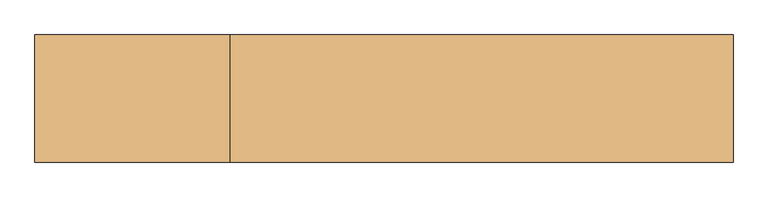
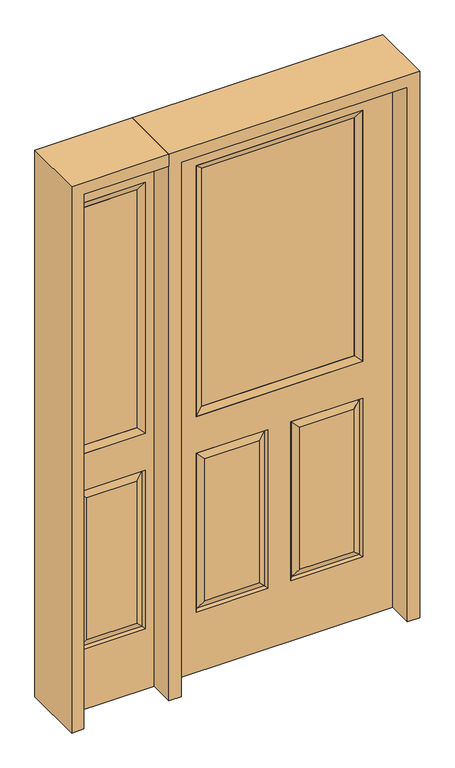
"""IFC4 building model written with IfcOpenShell, lengths in millimetres: door geometry."""

from ifc_helpers import new_model, si_unit, frame, origin, place, context, project, spatial, polyline, outline, extrude, faceted_brep, source, transform, mapped, element, save


def door_be2662f4(model_context):
    return source(origin(), model_context, "Body", "SolidModel", [
        faceted_brep([(-406.4, -22.225, 0.0), (406.4, -22.225, 0.0), (406.4, -22.225, 2032.0), (-406.4, -22.225, 2032.0), (-299.339, -22.225, 971.55), (-299.339, -22.225, 1925.574), (299.339, -22.225, 1925.574), (299.339, -22.225, 971.55), (-299.339, -22.225, 831.85), (-41.275, -22.225, 831.85), (-41.275, -22.225, 228.6), (-299.339, -22.225, 228.6), (41.275, -22.225, 831.85), (299.339, -22.225, 831.85), (299.339, -22.225, 228.6), (41.275, -22.225, 228.6), (-73.025, -22.225, 800.1), (-267.589, -22.225, 800.1), (-267.589, -22.225, 260.35), (-73.025, -22.225, 260.35), (267.589, -22.225, 800.1), (73.025, -22.225, 800.1), (73.025, -22.225, 260.35), (267.589, -22.225, 260.35), (-406.4, 22.225, 0.0), (406.4, 22.225, 0.0), (406.4, 22.225, 2032.0), (-406.4, 22.225, 2032.0), (-299.339, 22.225, 971.55), (-299.339, 22.225, 1925.574), (299.339, 22.225, 1925.574), (299.339, 22.225, 971.55), (-41.275, 22.225, 831.85), (-299.339, 22.225, 831.85), (-299.339, 22.225, 228.6), (-41.275, 22.225, 228.6), (299.339, 22.225, 831.85), (41.275, 22.225, 831.85), (41.275, 22.225, 228.6), (299.339, 22.225, 228.6), (-267.589, 22.225, 800.1), (-73.025, 22.225, 800.1), (-73.025, 22.225, 260.35), (-267.589, 22.225, 260.35), (73.025, 22.225, 800.1), (267.589, 22.225, 800.1), (267.589, 22.225, 260.35), (73.025, 22.225, 260.35), (-48.41875, -12.7449236, 824.70625), (-292.19525, -12.7449236, 824.70625), (-292.19525, -12.7449236, 235.74375), (-48.41875, -12.7449236, 235.74375), (292.19525, -12.7449236, 824.70625), (48.41875, -12.7449236, 824.70625), (48.41875, -12.7449236, 235.74375), (292.19525, -12.7449236, 235.74375), (-292.19525, 12.7449236, 824.70625), (-48.41875, 12.7449236, 824.70625), (-48.41875, 12.7449236, 235.74375), (-292.19525, 12.7449236, 235.74375), (48.41875, 12.7449236, 824.70625), (292.19525, 12.7449236, 824.70625), (292.19525, 12.7449236, 235.74375), (48.41875, 12.7449236, 235.74375)], [[[0, 1, 2, 3], [4, 5, 6, 7], [8, 9, 10, 11], [12, 13, 14, 15]], [[16, 17, 18, 19]], [[20, 21, 22, 23]], [[1, 0, 24, 25]], [[2, 1, 25, 26]], [[0, 3, 27, 24]], [[5, 4, 28, 29]], [[7, 6, 30, 31]], [[4, 7, 31, 28]], [[24, 27, 26, 25], [28, 31, 30, 29], [32, 33, 34, 35], [36, 37, 38, 39]], [[40, 41, 42, 43]], [[44, 45, 46, 47]], [[3, 2, 26, 27]], [[6, 5, 29, 30]], [[16, 48, 49, 17]], [[17, 49, 50, 18]], [[51, 19, 18, 50]], [[48, 16, 19, 51]], [[49, 48, 9, 8]], [[9, 48, 51, 10]], [[10, 51, 50, 11]], [[49, 8, 11, 50]], [[52, 53, 21, 20]], [[21, 53, 54, 22]], [[22, 54, 55, 23]], [[52, 20, 23, 55]], [[53, 52, 13, 12]], [[13, 52, 55, 14]], [[54, 15, 14, 55]], [[53, 12, 15, 54]], [[56, 57, 41, 40]], [[41, 57, 58, 42]], [[42, 58, 59, 43]], [[56, 40, 43, 59]], [[57, 56, 33, 32]], [[33, 56, 59, 34]], [[58, 35, 34, 59]], [[57, 32, 35, 58]], [[44, 60, 61, 45]], [[45, 61, 62, 46]], [[63, 47, 46, 62]], [[60, 44, 47, 63]], [[61, 60, 37, 36]], [[37, 60, 63, 38]], [[38, 63, 62, 39]], [[61, 36, 39, 62]]]),
        extrude(outline(polyline([(273.939, -12.7), (-273.939, -12.7), (-273.939, 12.7), (273.939, 12.7), (273.939, -12.7)])), frame((0.0, 0.0, 996.95), z_axis=(0.0, 0.0, 1.0), x_axis=(1.0, 0.0, 0.0)), (0.0, 0.0, 1.0), 903.224),
        faceted_brep([(-299.339, -22.225, 1925.574), (-299.339, 22.225, 1925.574), (-299.339, 22.225, 971.55), (-299.339, -22.225, 971.55), (299.339, 22.225, 971.55), (299.339, -22.225, 971.55), (-273.939, 12.7, 996.95), (273.939, 12.7, 996.95), (299.339, 22.225, 1925.574), (299.339, -22.225, 1925.574), (-273.939, -12.7, 996.95), (273.939, -12.7, 996.95), (-273.939, -12.7, 1900.174), (273.939, -12.7, 1900.174), (-273.939, 12.7, 1900.174), (273.939, 12.7, 1900.174)], [[[0, 1, 2, 3]], [[3, 2, 4, 5]], [[2, 6, 7, 4]], [[5, 4, 8, 9]], [[10, 3, 5, 11]], [[12, 0, 3, 10]], [[11, 5, 9, 13]], [[6, 10, 11, 7]], [[14, 12, 10, 6]], [[7, 11, 13, 15]], [[1, 14, 6, 2]], [[4, 7, 15, 8]], [[9, 8, 1, 0]], [[13, 9, 0, 12]], [[15, 13, 12, 14]], [[8, 15, 14, 1]]]),
        faceted_brep([(-755.65, -22.225, 0.0), (-450.85, -22.225, 0.0), (-450.85, -22.225, 2032.0), (-755.65, -22.225, 2032.0), (-481.838, -22.225, 1925.574), (-481.838, -22.225, 971.55), (-724.662, -22.225, 971.55), (-724.662, -22.225, 1925.574), (-481.838, -22.225, 228.6), (-724.662, -22.225, 228.6), (-724.662, -22.225, 831.85), (-481.838, -22.225, 831.85), (-692.7559872, -22.225, 260.5060128), (-513.7440128, -22.225, 260.5060128), (-513.7440128, -22.225, 799.9439872), (-692.7559872, -22.225, 799.9439872), (-755.65, 22.225, 0.0), (-450.85, 22.225, 0.0), (-450.85, 22.225, 2032.0), (-755.65, 22.225, 2032.0), (-481.838, 22.225, 1925.574), (-481.838, 22.225, 971.55), (-724.662, 22.225, 971.55), (-724.662, 22.225, 1925.574), (-724.662, 22.225, 228.6), (-481.838, 22.225, 228.6), (-481.838, 22.225, 831.85), (-724.662, 22.225, 831.85), (-513.7440128, 22.225, 260.5060128), (-692.7559872, 22.225, 260.5060128), (-692.7559872, 22.225, 799.9439872), (-513.7440128, 22.225, 799.9439872), (-488.7580067, -13.0418409, 235.5200067), (-717.7419933, -13.0418409, 235.5200067), (-717.7419933, -13.0418409, 824.9299933), (-488.7580067, -13.0418409, 824.9299933), (-717.7419933, 13.0418409, 235.5200067), (-488.7580067, 13.0418409, 235.5200067), (-488.7580067, 13.0418409, 824.9299933), (-717.7419933, 13.0418409, 824.9299933)], [[[0, 1, 2, 3], [4, 5, 6, 7], [8, 9, 10, 11]], [[12, 13, 14, 15]], [[1, 0, 16, 17]], [[2, 1, 17, 18]], [[0, 3, 19, 16]], [[5, 4, 20, 21]], [[6, 5, 21, 22]], [[7, 6, 22, 23]], [[16, 19, 18, 17], [20, 23, 22, 21], [24, 25, 26, 27]], [[28, 29, 30, 31]], [[3, 2, 18, 19]], [[4, 7, 23, 20]], [[8, 32, 33, 9]], [[9, 33, 34, 10]], [[35, 11, 10, 34]], [[32, 8, 11, 35]], [[33, 32, 13, 12]], [[13, 32, 35, 14]], [[14, 35, 34, 15]], [[33, 12, 15, 34]], [[36, 37, 25, 24]], [[25, 37, 38, 26]], [[26, 38, 39, 27]], [[36, 24, 27, 39]], [[37, 36, 29, 28]], [[29, 36, 39, 30]], [[38, 31, 30, 39]], [[37, 28, 31, 38]]]),
        extrude(outline(polyline([(-507.238, -12.7), (-699.262, -12.7), (-699.262, 12.7), (-507.238, 12.7), (-507.238, -12.7)])), frame((0.0, 0.0, 996.95), z_axis=(0.0, 0.0, 1.0), x_axis=(1.0, 0.0, 0.0)), (0.0, 0.0, 1.0), 903.224),
        faceted_brep([(-724.662, -22.225, 1925.574), (-724.662, 22.225, 1925.574), (-724.662, 22.225, 971.55), (-724.662, -22.225, 971.55), (-481.838, 22.225, 971.55), (-481.838, -22.225, 971.55), (-699.262, 12.7, 996.95), (-507.238, 12.7, 996.95), (-481.838, 22.225, 1925.574), (-481.838, -22.225, 1925.574), (-699.262, -12.7, 996.95), (-507.238, -12.7, 996.95), (-699.262, -12.7, 1900.174), (-507.238, -12.7, 1900.174), (-699.262, 12.7, 1900.174), (-507.238, 12.7, 1900.174)], [[[0, 1, 2, 3]], [[3, 2, 4, 5]], [[2, 6, 7, 4]], [[5, 4, 8, 9]], [[10, 3, 5, 11]], [[12, 0, 3, 10]], [[11, 5, 9, 13]], [[6, 10, 11, 7]], [[14, 12, 10, 6]], [[7, 11, 13, 15]], [[1, 14, 6, 2]], [[4, 7, 15, 8]], [[9, 8, 1, 0]], [[13, 9, 0, 12]], [[15, 13, 12, 14]], [[8, 15, 14, 1]]]),
        extrude(outline(polyline([(2032.0, -450.85), (2076.45, -450.85), (2076.45, -800.1), (0.0, -800.1), (0.0, -755.65), (2032.0, -755.65), (2032.0, -450.85)])), frame((0.0, -114.3, 0.0), z_axis=(0.0, 1.0, 0.0), x_axis=(0.0, 0.0, 1.0)), (0.0, 0.0, 1.0), 228.6),
        extrude(outline(polyline([(0.0, -450.85), (0.0, -406.4), (2032.0, -406.4), (2032.0, 406.4), (0.0, 406.4), (0.0, 450.85), (2076.45, 450.85), (2076.45, -450.85), (0.0, -450.85)])), frame((0.0, -114.3, 0.0), z_axis=(0.0, 1.0, 0.0), x_axis=(0.0, 0.0, 1.0)), (0.0, 0.0, 1.0), 228.6),
    ])


if __name__ == "__main__":
    model = new_model("IFC4")
    model_context = context("Model", 3, world=origin())
    ifc_project = project(units=[si_unit("LENGTHUNIT", "METRE", prefix="MILLI")], contexts=[model_context])
    site = spatial("IfcSite", under=ifc_project)
    building = spatial("IfcBuilding", under=site)
    placement = place(None, origin())
    door_shape = door_be2662f4(model_context)
    element("IfcDoor", 1, at=placement, inside=building, context=model_context, shape_type="MappedRepresentation", body=[
        mapped(door_shape, transform((0.0, 0.0, 0.0), x_axis=(1.0, 0.0, 0.0), y_axis=(0.0, 1.0, 0.0), z_axis=(0.0, 0.0, 1.0))),
    ])
    save(model, "model.ifc")
